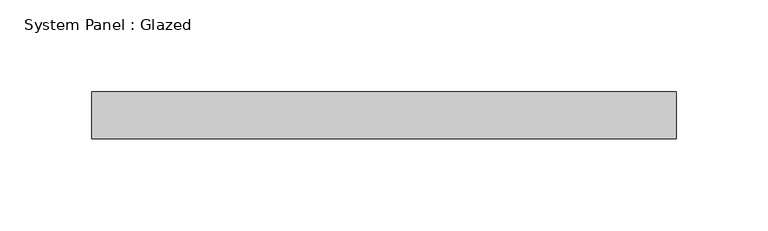
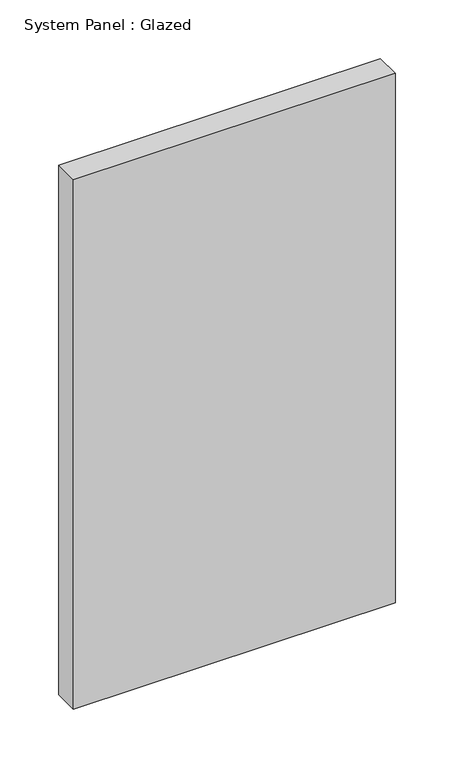
"""IFC4 building model written with IfcOpenShell, lengths in millimetres: plate geometry, System Panel : Glazed."""

from ifc_helpers import new_model, si_unit, origin, origin_with_axes, place, context, project, spatial, polyline, outline, extrude, source, transform, mapped, element, save


def system_panel_glazed_3e027fdf(model_context):
    return source(origin(), model_context, "Body", "SweptSolid", [
        extrude(outline(polyline([(158.75, -12.7), (-158.75, -12.7), (-158.75, 12.7), (158.75, 12.7), (158.75, -12.7)])), origin_with_axes(), (0.0, 0.0, 1.0), 552.45),
    ])


if __name__ == "__main__":
    model = new_model("IFC4")
    model_context = context("Model", 3, world=origin())
    ifc_project = project(units=[si_unit("LENGTHUNIT", "METRE", prefix="MILLI")], contexts=[model_context])
    site = spatial("IfcSite", under=ifc_project)
    building = spatial("IfcBuilding", under=site)
    placement = place(None, origin())
    system_panel_glazed_shape = system_panel_glazed_3e027fdf(model_context)
    element("IfcPlate", 1, ObjectType="System Panel : Glazed", at=placement, inside=building, context=model_context, shape_type="MappedRepresentation", body=[
        mapped(system_panel_glazed_shape, transform((0.0, 0.0, 0.0), x_axis=(1.0, 0.0, 0.0), y_axis=(0.0, 1.0, 0.0), z_axis=(0.0, 0.0, 1.0))),
    ])
    save(model, "model.ifc")
